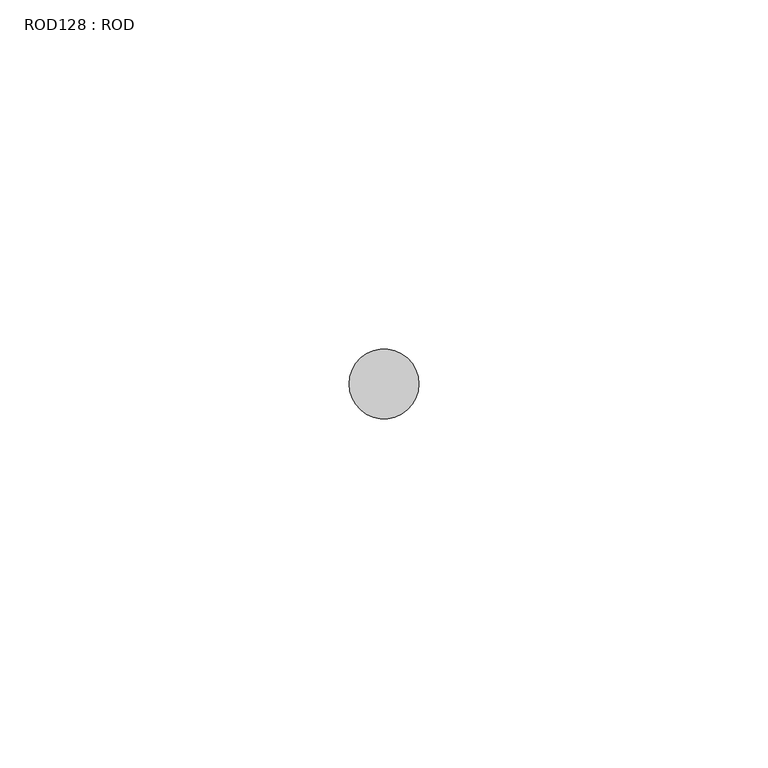
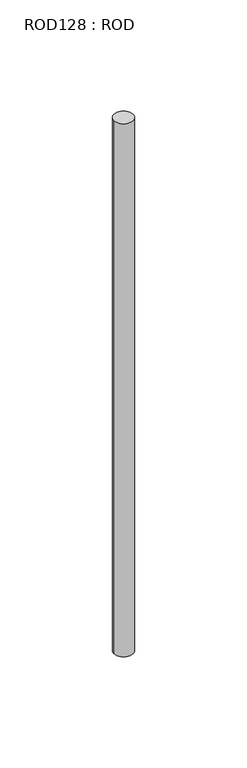
"""IFC4 building model written with IfcOpenShell, lengths in millimetres: proxy geometry, ROD128 : ROD."""

from ifc_helpers import new_model, si_unit, point, frame, frame_2d, origin, place, context, project, spatial, circle_curve, trimmed, segment, composite_curve, outline, extrude, source, transform, mapped, element, save


def rod128_rod_85cbfffe(model_context):
    return source(origin(), model_context, "Body", "SweptSolid", [
        extrude(outline(composite_curve([segment(trimmed(circle_curve(frame_2d((2479.7673324, -12414.6300853)), 5.0), [point((2474.7673324, -12414.6300853))], [point((2484.7673324, -12414.6300853))], False, "CARTESIAN"), True, "CONTINUOUS"), segment(trimmed(circle_curve(frame_2d((2479.7673324, -12414.6300853)), 5.0), [point((2484.7673324, -12414.6300853))], [point((2474.7673324, -12414.6300853))], False, "CARTESIAN"), True, "CONTINUOUS")], self_intersect=False)), frame((0.0, 0.0, -208.6608845), z_axis=(0.0, 0.0, 1.0), x_axis=(1.0, 0.0, 0.0)), (0.0, 0.0, 1.0), 298.9028972),
    ])


if __name__ == "__main__":
    model = new_model("IFC4")
    model_context = context("Model", 3, world=origin())
    ifc_project = project(units=[si_unit("LENGTHUNIT", "METRE", prefix="MILLI")], contexts=[model_context])
    site = spatial("IfcSite", under=ifc_project)
    building = spatial("IfcBuilding", under=site)
    placement = place(None, origin())
    rod128_rod_shape = rod128_rod_85cbfffe(model_context)
    element("IfcBuildingElementProxy", 1, Name="ROD128 : ROD", ObjectType="ROD128 : ROD", at=placement, inside=building, context=model_context, shape_type="MappedRepresentation", body=[
        mapped(rod128_rod_shape, transform((0.0, 0.0, 0.0), x_axis=(1.0, 0.0, 0.0), y_axis=(0.0, 1.0, 0.0), z_axis=(0.0, 0.0, 1.0))),
    ])
    save(model, "model.ifc")
